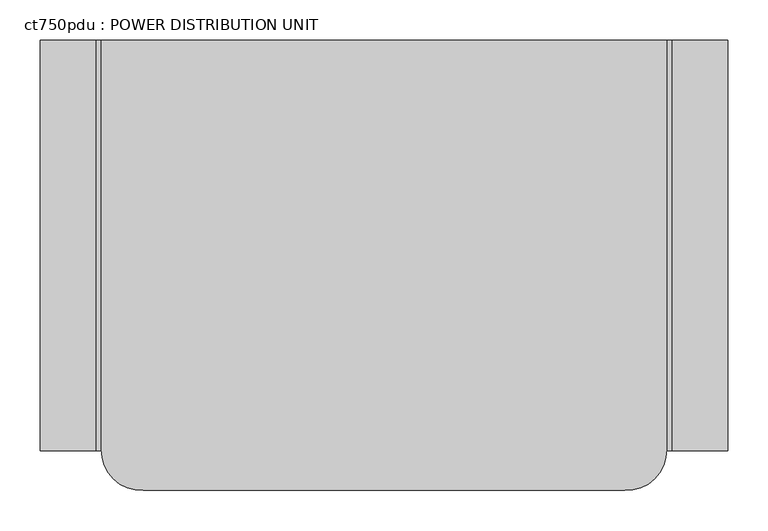
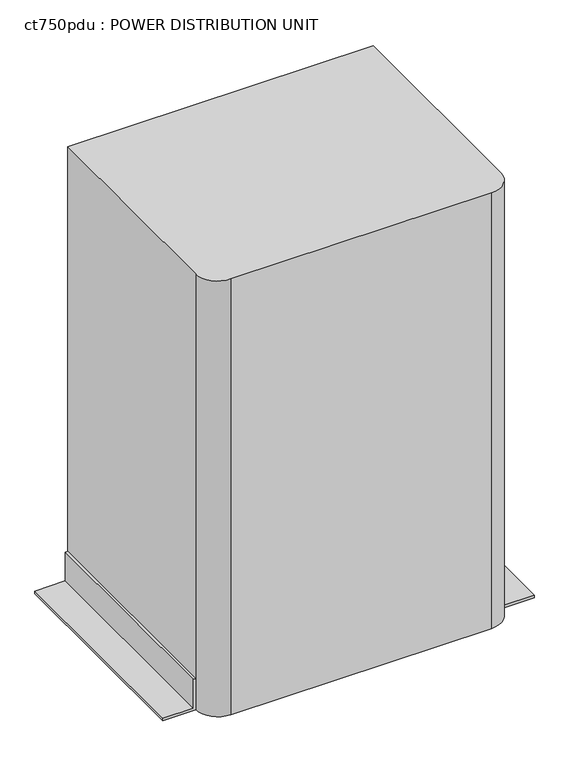
"""IFC4 building model written with IfcOpenShell, lengths in millimetres: proxy geometry, ct750pdu : POWER DISTRIBUTION UNIT."""

from ifc_helpers import new_model, si_unit, point, frame, frame_2d, origin, origin_with_axes, place, context, project, spatial, polyline, circle_curve, trimmed, segment, composite_curve, outline, extrude, source, transform, mapped, element, save


def ct750pdu_power_distribution_unit_3a3cbb2b(model_context):
    return source(origin(), model_context, "Body", "SweptSolid", [
        extrude(outline(polyline([(76.2, 0.0), (76.2, -6.35), (6.35, -6.35), (6.35, -76.2), (0.0, -76.2), (0.0, 0.0), (76.2, 0.0)])), frame((0.0, -663.4300654, 0.0), z_axis=(0.0, 1.0, 0.0), x_axis=(0.0, 0.0, 1.0)), (0.0, 0.0, 1.0), 511.0300654),
        extrude(outline(polyline([(76.2, 703.4161363), (0.0, 703.4161363), (0.0, 779.6161363), (6.35, 779.6161363), (6.35, 709.7661363), (76.2, 709.7661363), (76.2, 703.4161363)])), frame((0.0, -663.4300654, 0.0), z_axis=(0.0, 1.0, 0.0), x_axis=(0.0, 0.0, 1.0)), (0.0, 0.0, 1.0), 511.0300654),
        extrude(outline(composite_curve([segment(polyline([(703.4161363, -152.4), (703.4161363, -661.8046404)]), True, "CONTINUOUS"), segment(trimmed(circle_curve(frame_2d((653.1955201, -662.6173529)), 50.2271917), [point((703.4161363, -661.8046404))], [point((651.4020536, -712.8125147))], False, "CARTESIAN"), True, "CONTINUOUS"), segment(polyline([(651.4020536, -712.8125147), (52.0140827, -712.8125147)]), True, "CONTINUOUS"), segment(trimmed(circle_curve(frame_2d((50.2206161, -662.6173529)), 50.2271917), [point((52.0140827, -712.8125147))], [point((0.0, -661.8046404))], False, "CARTESIAN"), True, "CONTINUOUS"), segment(polyline([(0.0, -661.8046404), (0.0, -152.4), (703.4161363, -152.4)]), True, "CONTINUOUS")], self_intersect=False)), origin_with_axes(), (0.0, 0.0, 1.0), 1061.72),
    ])


if __name__ == "__main__":
    model = new_model("IFC4")
    model_context = context("Model", 3, world=origin())
    ifc_project = project(units=[si_unit("LENGTHUNIT", "METRE", prefix="MILLI")], contexts=[model_context])
    site = spatial("IfcSite", under=ifc_project)
    building = spatial("IfcBuilding", under=site)
    placement = place(None, origin())
    ct750pdu_power_distribution_unit_shape = ct750pdu_power_distribution_unit_3a3cbb2b(model_context)
    element("IfcBuildingElementProxy", 1, Name="ct750pdu : POWER DISTRIBUTION UNIT", ObjectType="ct750pdu : POWER DISTRIBUTION UNIT", at=placement, inside=building, context=model_context, shape_type="MappedRepresentation", body=[
        mapped(ct750pdu_power_distribution_unit_shape, transform((0.0, 0.0, 0.0), x_axis=(1.0, 0.0, 0.0), y_axis=(0.0, 1.0, 0.0), z_axis=(0.0, 0.0, 1.0))),
    ])
    save(model, "model.ifc")
